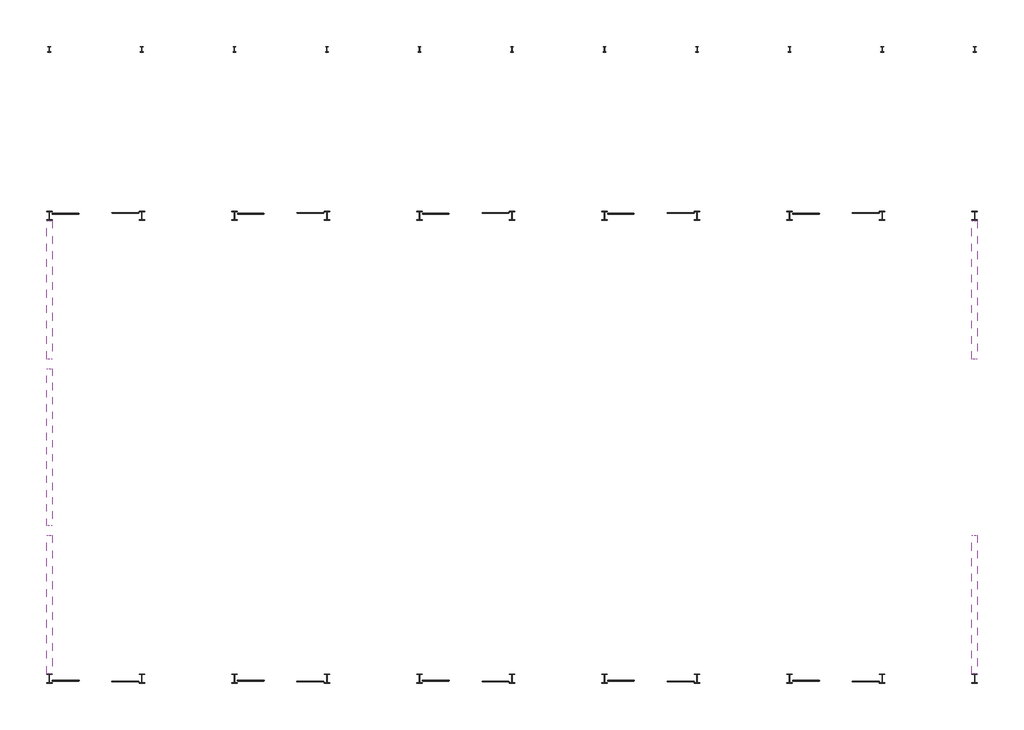
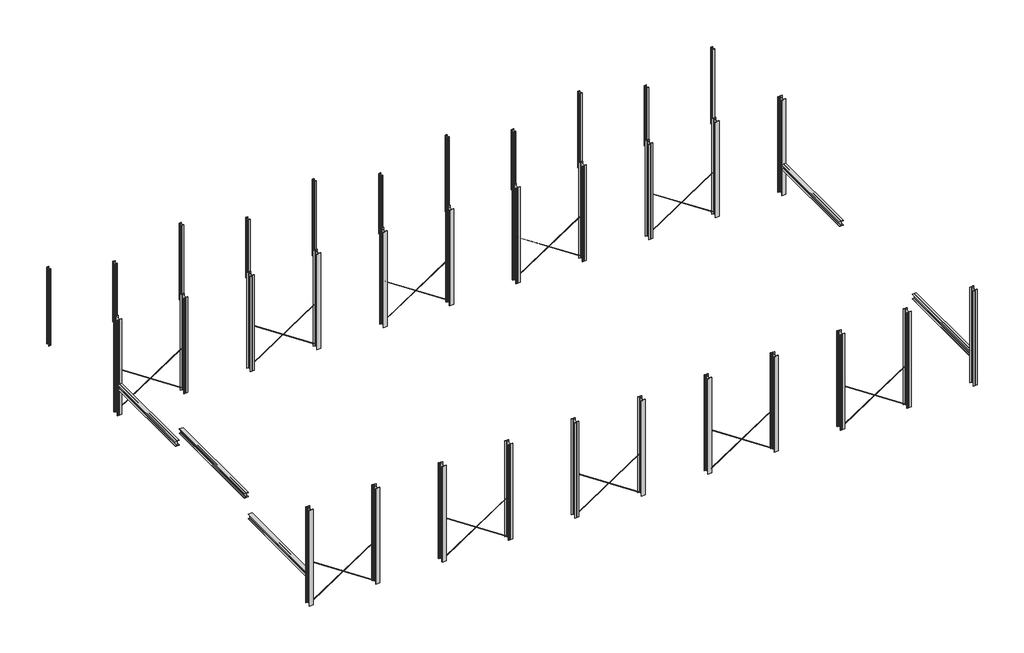
# One storey: 33 columns, 20 members, 5 beams.
"""IFC4 building model written with IfcOpenShell, lengths in millimetres."""

import ifcopenshell
import ifcopenshell.guid

model = None  # the IFC model being written
_history = None  # IfcOwnerHistory: only IFC2X3 demands one
_inside = {}  # id of a spatial element -> (the spatial element, [elements in it])
_under = {}  # id of a project, library or spatial element -> (it, [spatial elements below it])
_declared = {}  # id of a project -> (the project, [libraries it declares])
_typed = {}  # id of a type object -> (the type object, [elements of that type])
_made_of = {}  # id of a material, layer set ... -> (it, [elements and type objects made of it])


def new_model(schema):
    """Start an empty IFC model of exactly this schema.

    Asked for "IFC4X3", IfcOpenShell would pick the latest addendum, in which some entities
    have other attributes; the version numbers below select the first issue.
    IFC2X3 requires an IfcOwnerHistory on every rooted entity: one is made here for all.
    """
    global model, _history
    if schema == "IFC4X3":
        model = ifcopenshell.file(schema_version=(4, 3, 0, 0))
    else:
        model = ifcopenshell.file(schema=schema)
    _inside.clear()
    _under.clear()
    _declared.clear()
    _typed.clear()
    _made_of.clear()
    _history = None
    if model.schema == "IFC2X3":
        org = make("IfcOrganization", Name="unknown")
        user = make(
            "IfcPersonAndOrganization",
            ThePerson=make("IfcPerson", FamilyName="unknown"),
            TheOrganization=org,
        )
        app = make(
            "IfcApplication",
            ApplicationDeveloper=org,
            Version="unknown",
            ApplicationFullName="unknown",
            ApplicationIdentifier="unknown",
        )
        _history = make(
            "IfcOwnerHistory",
            OwningUser=user,
            OwningApplication=app,
            ChangeAction="ADDED",
            CreationDate=0,
        )
    return model


def make(cls, **values):
    """One entity of the class cls with the attributes given. An attribute that is None is left unset."""
    return model.create_entity(
        cls, **{name: value for name, value in values.items() if value is not None}
    )


def rooted(cls, **values):
    """An entity with a GlobalId (a new one), such as an element, a storey or a relation."""
    return make(cls, GlobalId=ifcopenshell.guid.new(), OwnerHistory=_history, **values)


def si_unit(unit_type, name, prefix=None):
    """IfcSIUnit, for example si_unit("LENGTHUNIT", "METRE", prefix="MILLI")."""
    return make("IfcSIUnit", UnitType=unit_type, Prefix=prefix, Name=name)


def assignment(units):
    """IfcUnitAssignment: the units of a project."""
    return None if units is None else make("IfcUnitAssignment", Units=units)


def point(xyz):
    """IfcCartesianPoint."""
    return None if xyz is None else make("IfcCartesianPoint", Coordinates=xyz)


def direction(xyz):
    """IfcDirection."""
    return None if xyz is None else make("IfcDirection", DirectionRatios=xyz)


def frame(location, z_axis=None, x_axis=None):
    """IfcAxis2Placement3D, a coordinate frame: its origin and axes. An axis left out is left unset."""
    return make(
        "IfcAxis2Placement3D",
        Location=point(location),
        Axis=direction(z_axis),
        RefDirection=direction(x_axis),
    )


def frame_2d(location, x_axis=None):
    """IfcAxis2Placement2D, a coordinate frame in the plane: its origin and x axis."""
    return make(
        "IfcAxis2Placement2D", Location=point(location), RefDirection=direction(x_axis)
    )


def origin():
    """The frame at (0, 0, 0) with its axes left unset."""
    return frame((0.0, 0.0, 0.0))


def origin_2d():
    """The frame at (0, 0) in the plane with its x axis left unset."""
    return frame_2d((0.0, 0.0))


def place(relative_to, where):
    """IfcLocalPlacement: puts the frame where relative to a parent placement (None: the world)."""
    return make(
        "IfcLocalPlacement", PlacementRelTo=relative_to, RelativePlacement=where
    )


def context(
    kind, dimensions, precision=None, world=None, true_north=None, identifier=None
):
    """IfcGeometricRepresentationContext, for example the 3D "Model" context."""
    return make(
        "IfcGeometricRepresentationContext",
        ContextIdentifier=identifier,
        ContextType=kind,
        CoordinateSpaceDimension=dimensions,
        Precision=precision,
        WorldCoordinateSystem=world,
        TrueNorth=true_north,
    )


def project(units=None, contexts=None):
    """IfcProject with its units and contexts."""
    return rooted(
        "IfcProject",
        Name="project",
        RepresentationContexts=contexts,
        UnitsInContext=assignment(units),
    )


def spatial(cls, under=None, at=None, **own):
    """A site, building, storey or space (cls), placed at a placement, below another one or the project."""
    s = rooted(cls, ObjectPlacement=at, **own)
    if under is not None:
        _under.setdefault(under.id(), (under, []))[1].append(s)
    return s


def polyline(points):
    """IfcPolyline through the points."""
    return make("IfcPolyline", Points=[point(p) for p in points])


def circle_curve(where, radius):
    """IfcCircle in the frame where."""
    return make("IfcCircle", Position=where, Radius=radius)


def trimmed(basis, trim1, trim2, sense, master):
    """IfcTrimmedCurve: the piece of a basis curve between two trims."""
    return make(
        "IfcTrimmedCurve",
        BasisCurve=basis,
        Trim1=trim1,
        Trim2=trim2,
        SenseAgreement=sense,
        MasterRepresentation=master,
    )


def segment(curve, same_sense, transition):
    """IfcCompositeCurveSegment."""
    return make(
        "IfcCompositeCurveSegment",
        Transition=transition,
        SameSense=same_sense,
        ParentCurve=curve,
    )


def composite_curve(segments, self_intersect=None):
    """IfcCompositeCurve: segments joined end to end."""
    return make("IfcCompositeCurve", Segments=segments, SelfIntersect=self_intersect)


def outline(outer, holes=None, kind="AREA"):
    """IfcArbitraryClosedProfileDef: a profile drawn as a closed curve; with holes, ...WithVoids."""
    if holes is None:
        return make("IfcArbitraryClosedProfileDef", ProfileType=kind, OuterCurve=outer)
    return make(
        "IfcArbitraryProfileDefWithVoids",
        ProfileType=kind,
        OuterCurve=outer,
        InnerCurves=holes,
    )


def extrude(swept, where, along, depth):
    """IfcExtrudedAreaSolid: the profile swept, set in the frame where, extruded along a direction by depth."""
    return make(
        "IfcExtrudedAreaSolid",
        SweptArea=swept,
        Position=where,
        ExtrudedDirection=direction(along),
        Depth=depth,
    )


def shape(context_of_items, identifier, shape_type, items):
    """IfcShapeRepresentation: the items that make up one representation, for example the "Body"."""
    return make(
        "IfcShapeRepresentation",
        ContextOfItems=context_of_items,
        RepresentationIdentifier=identifier,
        RepresentationType=shape_type,
        Items=items,
    )


def source(mapping_origin, context_of_items, identifier, shape_type, items):
    """IfcRepresentationMap: a shape defined once, which mapped items show again and again."""
    return make(
        "IfcRepresentationMap",
        MappingOrigin=mapping_origin,
        MappedRepresentation=shape(context_of_items, identifier, shape_type, items),
    )


def transform(
    local_origin,
    x_axis=None,
    y_axis=None,
    z_axis=None,
    scale=None,
    scale2=None,
    scale3=None,
    uniform=True,
):
    """IfcCartesianTransformationOperator3D, or its non-uniform kind. x_axis, y_axis, z_axis: its Axis1, 2, 3."""
    if uniform:
        return make(
            "IfcCartesianTransformationOperator3D",
            Axis1=direction(x_axis),
            Axis2=direction(y_axis),
            LocalOrigin=point(local_origin),
            Scale=scale,
            Axis3=direction(z_axis),
        )
    return make(
        "IfcCartesianTransformationOperator3DnonUniform",
        Axis1=direction(x_axis),
        Axis2=direction(y_axis),
        LocalOrigin=point(local_origin),
        Scale=scale,
        Axis3=direction(z_axis),
        Scale2=scale2,
        Scale3=scale3,
    )


def mapped(mapping_source, mapping_target):
    """IfcMappedItem: shows the shape of a source again, moved by a transform."""
    return make(
        "IfcMappedItem", MappingSource=mapping_source, MappingTarget=mapping_target
    )


def made_of(thing, what):
    """Note that an element or type object is made of a material, layer set ...; save() writes the relation."""
    if what is not None:
        _made_of.setdefault(what.id(), (what, []))[1].append(thing)
    return thing


def element(
    cls,
    number,
    at=None,
    inside=None,
    cuts=None,
    type_object=None,
    material=None,
    context=None,
    identifier="Body",
    shape_type=None,
    held_by="IfcProductDefinitionShape",
    body=None,
    shapes=None,
    **own,
):
    """One element of the class cls, such as IfcWall. Its Tag is "e" and its number.

    at: its placement. inside: the storey or other place that contains it. cuts: it is an
    opening in that element (IfcRelVoidsElement). A single representation is given by context,
    identifier, shape_type and body (its items); several are given by shapes. held_by: the class
    of the entity that holds the representations. save() writes the other relations.
    """
    e = rooted(cls, Tag="e%d" % number, ObjectPlacement=at, **own)
    if body is not None:
        shapes = [shape(context, identifier, shape_type, body)]
    if shapes is not None:
        e.Representation = make(held_by, Representations=shapes)
    if inside is not None:
        _inside.setdefault(inside.id(), (inside, []))[1].append(e)
    if cuts is not None:
        rooted(
            "IfcRelVoidsElement", RelatingBuildingElement=cuts, RelatedOpeningElement=e
        )
    if type_object is not None:
        _typed.setdefault(type_object.id(), (type_object, []))[1].append(e)
    return made_of(e, material)


def aggregate(whole, parts):
    """IfcRelAggregates: a whole, such as a stair, and the parts it consists of."""
    return rooted("IfcRelAggregates", RelatingObject=whole, RelatedObjects=parts)


def save(model, path):
    """Write the relations noted so far, then the file.

    IfcRelAggregates (storeys below a building ...), IfcRelContainedInSpatialStructure (elements
    in a storey), IfcRelDefinesByType, IfcRelAssociatesMaterial and IfcRelDeclares: one each for
    every whole, place, type object, material and project.
    """
    for whole, parts in _under.values():
        aggregate(whole, parts)
    for where, things in _inside.values():
        rooted(
            "IfcRelContainedInSpatialStructure",
            RelatedElements=things,
            RelatingStructure=where,
        )
    for kind, things in _typed.values():
        rooted("IfcRelDefinesByType", RelatedObjects=things, RelatingType=kind)
    for what, things in _made_of.values():
        rooted("IfcRelAssociatesMaterial", RelatedObjects=things, RelatingMaterial=what)
    for by, libraries in _declared.values():
        rooted("IfcRelDeclares", RelatingContext=by, RelatedDefinitions=libraries)
    model.write(path)


def hea360_8f2a9dd6(model_context):
    return source(origin(), model_context, "Body", "SweptSolid", [
        extrude(outline(composite_curve([segment(polyline([(150.0, -157.5), (150.0, -175.0), (-150.0, -175.0), (-150.0, -157.5), (-32.0, -157.5)]), True, "CONTINUOUS"), segment(trimmed(circle_curve(frame_2d((-32.0, -130.5)), 27.0), [point((-32.0, -157.5))], [point((-5.0, -130.5))], True, "CARTESIAN"), True, "CONTINUOUS"), segment(polyline([(-5.0, -130.5), (-5.0, 130.5)]), True, "CONTINUOUS"), segment(trimmed(circle_curve(frame_2d((-32.0, 130.5)), 27.0), [point((-5.0, 130.5))], [point((-32.0, 157.5))], True, "CARTESIAN"), True, "CONTINUOUS"), segment(polyline([(-32.0, 157.5), (-150.0, 157.5), (-150.0, 175.0), (150.0, 175.0), (150.0, 157.5), (32.0, 157.5)]), True, "CONTINUOUS"), segment(trimmed(circle_curve(frame_2d((32.0, 130.5)), 27.0), [point((32.0, 157.5))], [point((5.0, 130.5))], True, "CARTESIAN"), True, "CONTINUOUS"), segment(polyline([(5.0, 130.5), (5.0, -130.5)]), True, "CONTINUOUS"), segment(trimmed(circle_curve(frame_2d((32.0, -130.5)), 27.0), [point((5.0, -130.5))], [point((32.0, -157.5))], True, "CARTESIAN"), True, "CONTINUOUS"), segment(polyline([(32.0, -157.5), (150.0, -157.5)]), True, "CONTINUOUS")], self_intersect=False)), frame((-4242.2, 0.0, 0.0), z_axis=(1.0, 0.0, 0.0), x_axis=(0.0, 1.0, 0.0)), (0.0, 0.0, 1.0), 8484.5),
    ])


def hea400_fb95abcd(model_context):
    return source(origin(), model_context, "Body", "SweptSolid", [
        extrude(outline(composite_curve([segment(polyline([(150.0, -176.0), (150.0, -195.0), (-150.0, -195.0), (-150.0, -176.0), (-32.5, -176.0)]), True, "CONTINUOUS"), segment(trimmed(circle_curve(frame_2d((-32.5, -149.0)), 27.0), [point((-32.5, -176.0))], [point((-5.5, -149.0))], True, "CARTESIAN"), True, "CONTINUOUS"), segment(polyline([(-5.5, -149.0), (-5.5, 149.0)]), True, "CONTINUOUS"), segment(trimmed(circle_curve(frame_2d((-32.5, 149.0)), 27.0), [point((-5.5, 149.0))], [point((-32.5, 176.0))], True, "CARTESIAN"), True, "CONTINUOUS"), segment(polyline([(-32.5, 176.0), (-150.0, 176.0), (-150.0, 195.0), (150.0, 195.0), (150.0, 176.0), (32.5, 176.0)]), True, "CONTINUOUS"), segment(trimmed(circle_curve(frame_2d((32.5, 149.0)), 27.0), [point((32.5, 176.0))], [point((5.5, 149.0))], True, "CARTESIAN"), True, "CONTINUOUS"), segment(polyline([(5.5, 149.0), (5.5, -149.0)]), True, "CONTINUOUS"), segment(trimmed(circle_curve(frame_2d((32.5, -149.0)), 27.0), [point((5.5, -149.0))], [point((32.5, -176.0))], True, "CARTESIAN"), True, "CONTINUOUS"), segment(polyline([(32.5, -176.0), (150.0, -176.0)]), True, "CONTINUOUS")], self_intersect=False)), frame((-3742.3, 0.0, 0.0), z_axis=(1.0, 0.0, 0.0), x_axis=(0.0, 1.0, 0.0)), (0.0, 0.0, 1.0), 7484.6),
    ])


def hea400_d6eb3b18(model_context):
    return source(origin(), model_context, "Body", "SweptSolid", [
        extrude(outline(composite_curve([segment(polyline([(-150.0, -176.0), (-32.5, -176.0)]), True, "CONTINUOUS"), segment(trimmed(circle_curve(frame_2d((-32.5, -149.0)), 27.0), [point((-32.5, -176.0))], [point((-5.5, -149.0))], True, "CARTESIAN"), True, "CONTINUOUS"), segment(polyline([(-5.5, -149.0), (-5.5, 149.0)]), True, "CONTINUOUS"), segment(trimmed(circle_curve(frame_2d((-32.5, 149.0)), 27.0), [point((-5.5, 149.0))], [point((-32.5, 176.0))], True, "CARTESIAN"), True, "CONTINUOUS"), segment(polyline([(-32.5, 176.0), (-150.0, 176.0), (-150.0, 195.0), (150.0, 195.0), (150.0, 176.0), (32.5, 176.0)]), True, "CONTINUOUS"), segment(trimmed(circle_curve(frame_2d((32.5, 149.0)), 27.0), [point((32.5, 176.0))], [point((5.5, 149.0))], True, "CARTESIAN"), True, "CONTINUOUS"), segment(polyline([(5.5, 149.0), (5.5, -149.0)]), True, "CONTINUOUS"), segment(trimmed(circle_curve(frame_2d((32.5, -149.0)), 27.0), [point((5.5, -149.0))], [point((32.5, -176.0))], True, "CARTESIAN"), True, "CONTINUOUS"), segment(polyline([(32.5, -176.0), (150.0, -176.0), (150.0, -195.0), (-150.0, -195.0), (-150.0, -176.0)]), True, "CONTINUOUS")], self_intersect=False)), frame((-3742.3, 0.0, 0.0), z_axis=(1.0, 0.0, 0.0), x_axis=(0.0, 1.0, 0.0)), (0.0, 0.0, 1.0), 7484.6),
    ])


def hea500_3eefd640(model_context):
    return source(origin(), model_context, "Body", "SweptSolid", [
        extrude(outline(composite_curve([segment(polyline([(150.0, 245.0), (150.0, 222.0), (33.0, 222.0)]), True, "CONTINUOUS"), segment(trimmed(circle_curve(frame_2d((33.0, 195.0)), 27.0), [point((33.0, 222.0))], [point((6.0, 195.0))], True, "CARTESIAN"), True, "CONTINUOUS"), segment(polyline([(6.0, 195.0), (6.0, -195.0)]), True, "CONTINUOUS"), segment(trimmed(circle_curve(frame_2d((33.0, -195.0)), 27.0), [point((6.0, -195.0))], [point((33.0, -222.0))], True, "CARTESIAN"), True, "CONTINUOUS"), segment(polyline([(33.0, -222.0), (150.0, -222.0), (150.0, -245.0), (-150.0, -245.0), (-150.0, -222.0), (-33.0, -222.0)]), True, "CONTINUOUS"), segment(trimmed(circle_curve(frame_2d((-33.0, -195.0)), 27.0), [point((-33.0, -222.0))], [point((-6.0, -195.0))], True, "CARTESIAN"), True, "CONTINUOUS"), segment(polyline([(-6.0, -195.0), (-6.0, 195.0)]), True, "CONTINUOUS"), segment(trimmed(circle_curve(frame_2d((-33.0, 195.0)), 27.0), [point((-6.0, 195.0))], [point((-33.0, 222.0))], True, "CARTESIAN"), True, "CONTINUOUS"), segment(polyline([(-33.0, 222.0), (-150.0, 222.0), (-150.0, 245.0), (150.0, 245.0)]), True, "CONTINUOUS")], self_intersect=False)), frame((0.0, 0.0, 1400.0), z_axis=(0.0, 0.0, 1.0), x_axis=(1.0, 0.0, 0.0)), (0.0, 0.0, 1.0), 7600.0),
    ])


def ipe_column_ipe300_6e703510(model_context):
    return source(origin(), model_context, "Body", "SweptSolid", [
        extrude(outline(composite_curve([segment(polyline([(75.0, 150.0), (75.0, 139.3), (18.55, 139.3)]), True, "CONTINUOUS"), segment(trimmed(circle_curve(frame_2d((18.55, 124.3)), 15.0), [point((18.55, 139.3))], [point((3.55, 124.3))], True, "CARTESIAN"), True, "CONTINUOUS"), segment(polyline([(3.55, 124.3), (3.55, -124.3)]), True, "CONTINUOUS"), segment(trimmed(circle_curve(frame_2d((18.55, -124.3)), 15.0), [point((3.55, -124.3))], [point((18.55, -139.3))], True, "CARTESIAN"), True, "CONTINUOUS"), segment(polyline([(18.55, -139.3), (75.0, -139.3), (75.0, -150.0), (-75.0, -150.0), (-75.0, -139.3), (-18.55, -139.3)]), True, "CONTINUOUS"), segment(trimmed(circle_curve(frame_2d((-18.55, -124.3)), 15.0), [point((-18.55, -139.3))], [point((-3.55, -124.3))], True, "CARTESIAN"), True, "CONTINUOUS"), segment(polyline([(-3.55, -124.3), (-3.55, 124.3)]), True, "CONTINUOUS"), segment(trimmed(circle_curve(frame_2d((-18.55, 124.3)), 15.0), [point((-3.55, 124.3))], [point((-18.55, 139.3))], True, "CARTESIAN"), True, "CONTINUOUS"), segment(polyline([(-18.55, 139.3), (-75.0, 139.3), (-75.0, 150.0), (75.0, 150.0)]), True, "CONTINUOUS")], self_intersect=False)), frame((0.0, 0.0, 1400.0), z_axis=(0.0, 0.0, 1.0), x_axis=(1.0, 0.0, 0.0)), (0.0, 0.0, 1.0), 6100.0),
    ])


def ipe_column_ipe300_32037b8f(model_context):
    return source(origin(), model_context, "Body", "SweptSolid", [
        extrude(outline(composite_curve([segment(polyline([(75.0, 150.0), (75.0, 139.3), (18.55, 139.3)]), True, "CONTINUOUS"), segment(trimmed(circle_curve(frame_2d((18.55, 124.3)), 15.0), [point((18.55, 139.3))], [point((3.55, 124.3))], True, "CARTESIAN"), True, "CONTINUOUS"), segment(polyline([(3.55, 124.3), (3.55, -124.3)]), True, "CONTINUOUS"), segment(trimmed(circle_curve(frame_2d((18.55, -124.3)), 15.0), [point((3.55, -124.3))], [point((18.55, -139.3))], True, "CARTESIAN"), True, "CONTINUOUS"), segment(polyline([(18.55, -139.3), (75.0, -139.3), (75.0, -150.0), (-75.0, -150.0), (-75.0, -139.3), (-18.55, -139.3)]), True, "CONTINUOUS"), segment(trimmed(circle_curve(frame_2d((-18.55, -124.3)), 15.0), [point((-18.55, -139.3))], [point((-3.55, -124.3))], True, "CARTESIAN"), True, "CONTINUOUS"), segment(polyline([(-3.55, -124.3), (-3.55, 124.3)]), True, "CONTINUOUS"), segment(trimmed(circle_curve(frame_2d((-18.55, 124.3)), 15.0), [point((-3.55, 124.3))], [point((-18.55, 139.3))], True, "CARTESIAN"), True, "CONTINUOUS"), segment(polyline([(-18.55, 139.3), (-75.0, 139.3), (-75.0, 150.0), (75.0, 150.0)]), True, "CONTINUOUS")], self_intersect=False)), frame((0.0, 0.0, 1400.0), z_axis=(0.0, 0.0, 1.0), x_axis=(1.0, 0.0, 0.0)), (0.0, 0.0, 1.0), 4800.0),
    ])


def ro33_7x2_6_63ef5268(model_context):
    return source(origin(), model_context, "Body", "SweptSolid", [
        extrude(outline(composite_curve([segment(trimmed(circle_curve(origin_2d(), 16.85), [point((-16.85, 0.0))], [point((16.85, 0.0))], False, "CARTESIAN"), True, "CONTINUOUS"), segment(trimmed(circle_curve(origin_2d(), 16.85), [point((16.85, 0.0))], [point((-16.85, 0.0))], False, "CARTESIAN"), True, "CONTINUOUS")], self_intersect=False), holes=[composite_curve([segment(trimmed(circle_curve(origin_2d(), 14.25), [point((14.25, 0.0))], [point((-14.25, 0.0))], True, "CARTESIAN"), True, "CONTINUOUS"), segment(trimmed(circle_curve(origin_2d(), 14.25), [point((-14.25, 0.0))], [point((14.25, 0.0))], True, "CARTESIAN"), True, "CONTINUOUS")], self_intersect=False)]), frame((-2793.1, 0.0, 0.0), z_axis=(1.0, 0.0, 0.0), x_axis=(0.0, 1.0, 0.0)), (0.0, 0.0, 1.0), 5586.2),
    ])


def ro33_7x2_6_07e2517b(model_context):
    return source(origin(), model_context, "Body", "SweptSolid", [
        extrude(outline(composite_curve([segment(trimmed(circle_curve(origin_2d(), 16.85), [point((16.85, 0.0))], [point((-16.85, 0.0))], False, "CARTESIAN"), True, "CONTINUOUS"), segment(trimmed(circle_curve(origin_2d(), 16.85), [point((-16.85, 0.0))], [point((16.85, 0.0))], False, "CARTESIAN"), True, "CONTINUOUS")], self_intersect=False), holes=[composite_curve([segment(trimmed(circle_curve(origin_2d(), 14.25), [point((-14.25, 0.0))], [point((14.25, 0.0))], True, "CARTESIAN"), True, "CONTINUOUS"), segment(trimmed(circle_curve(origin_2d(), 14.25), [point((14.25, 0.0))], [point((-14.25, 0.0))], True, "CARTESIAN"), True, "CONTINUOUS")], self_intersect=False)]), frame((-2793.1, 0.0, 0.0), z_axis=(1.0, 0.0, 0.0), x_axis=(0.0, 1.0, 0.0)), (0.0, 0.0, 1.0), 5586.2),
    ])


model = new_model("IFC4")

# Units and contexts
model_context = context("Model", 3, world=origin())
ifc_project = project(units=[si_unit("LENGTHUNIT", "METRE", prefix="MILLI")], contexts=[model_context])

# Site, building, storey
site = spatial("IfcSite", under=ifc_project)
building = spatial("IfcBuilding", under=site)
storey = spatial("IfcBuildingStorey", under=building, Elevation=1400.0)

# Beams
placement = place(None, origin())
hea360_shape = hea360_8f2a9dd6(model_context)
element("IfcBeam", 1, ObjectType="HEA360", at=placement, inside=storey, context=model_context, shape_type="MappedRepresentation", body=[
    mapped(hea360_shape, transform((-20254.1845871, -2635.0122911, 5025.0), x_axis=(0.0, -1.0, 0.0), y_axis=(1.0, 0.0, 0.0), z_axis=(0.0, 0.0, 1.0))),
])
hea400_shape = hea400_fb95abcd(model_context)
element("IfcBeam", 2, ObjectType="HEA400", at=placement, inside=storey, context=model_context, shape_type="MappedRepresentation", body=[
    mapped(hea400_shape, transform((-20254.1845871, 5864.9877089, 3695.0), x_axis=(0.0, 1.0, 0.0), y_axis=(-1.0, 0.0, 0.0), z_axis=(0.0, 0.0, 1.0))),
])
element("IfcBeam", 3, ObjectType="HEA400", at=placement, inside=storey, context=model_context, shape_type="MappedRepresentation", body=[
    mapped(hea400_shape, transform((-20254.1845871, -11135.0122911, 3695.0), x_axis=(0.0, -1.0, 0.0), y_axis=(1.0, 0.0, 0.0), z_axis=(0.0, 0.0, 1.0))),
])
hea400_2_shape = hea400_d6eb3b18(model_context)
element("IfcBeam", 4, ObjectType="HEA400", at=placement, inside=storey, context=model_context, shape_type="MappedRepresentation", body=[
    mapped(hea400_2_shape, transform((29745.8154129, 5864.9877089, 3695.0), x_axis=(0.0, 1.0, 0.0), y_axis=(-1.0, 0.0, 0.0), z_axis=(0.0, 0.0, 1.0))),
])
element("IfcBeam", 5, ObjectType="HEA400", at=placement, inside=storey, context=model_context, shape_type="MappedRepresentation", body=[
    mapped(hea400_2_shape, transform((29745.8154129, -11135.0122911, 3695.0), x_axis=(0.0, -1.0, 0.0), y_axis=(1.0, 0.0, 0.0), z_axis=(0.0, 0.0, 1.0))),
])

# Columns
hea500_shape = hea500_3eefd640(model_context)
element("IfcColumn", 6, ObjectType="HEA500", at=placement, inside=storey, context=model_context, shape_type="MappedRepresentation", body=[
    mapped(hea500_shape, transform((-20254.1845871, -15135.0122911, 0.0), x_axis=(1.0, 0.0, 0.0), y_axis=(0.0, 1.0, 0.0), z_axis=(0.0, 0.0, 1.0))),
])
element("IfcColumn", 7, ObjectType="HEA500", at=placement, inside=storey, context=model_context, shape_type="MappedRepresentation", body=[
    mapped(hea500_shape, transform((-15254.1845871, -15135.0122911, 0.0), x_axis=(1.0, 0.0, 0.0), y_axis=(0.0, 1.0, 0.0), z_axis=(0.0, 0.0, 1.0))),
])
element("IfcColumn", 8, ObjectType="HEA500", at=placement, inside=storey, context=model_context, shape_type="MappedRepresentation", body=[
    mapped(hea500_shape, transform((-10254.1845871, -15135.0122911, 0.0), x_axis=(1.0, 0.0, 0.0), y_axis=(0.0, 1.0, 0.0), z_axis=(0.0, 0.0, 1.0))),
])
element("IfcColumn", 9, ObjectType="HEA500", at=placement, inside=storey, context=model_context, shape_type="MappedRepresentation", body=[
    mapped(hea500_shape, transform((-20254.1845871, 9864.9877089, 0.0), x_axis=(1.0, 0.0, 0.0), y_axis=(0.0, 1.0, 0.0), z_axis=(0.0, 0.0, 1.0))),
])
element("IfcColumn", 10, ObjectType="HEA500", at=placement, inside=storey, context=model_context, shape_type="MappedRepresentation", body=[
    mapped(hea500_shape, transform((-15254.1845871, 9864.9877089, 0.0), x_axis=(1.0, 0.0, 0.0), y_axis=(0.0, 1.0, 0.0), z_axis=(0.0, 0.0, 1.0))),
])
element("IfcColumn", 11, ObjectType="HEA500", at=placement, inside=storey, context=model_context, shape_type="MappedRepresentation", body=[
    mapped(hea500_shape, transform((-10254.1845871, 9864.9877089, 0.0), x_axis=(1.0, 0.0, 0.0), y_axis=(0.0, 1.0, 0.0), z_axis=(0.0, 0.0, 1.0))),
])
element("IfcColumn", 12, ObjectType="HEA500", at=placement, inside=storey, context=model_context, shape_type="MappedRepresentation", body=[
    mapped(hea500_shape, transform((-5254.1845871, -15135.0122911, 0.0), x_axis=(1.0, 0.0, 0.0), y_axis=(0.0, 1.0, 0.0), z_axis=(0.0, 0.0, 1.0))),
])
element("IfcColumn", 13, ObjectType="HEA500", at=placement, inside=storey, context=model_context, shape_type="MappedRepresentation", body=[
    mapped(hea500_shape, transform((-5254.1845871, 9864.9877089, 0.0), x_axis=(1.0, 0.0, 0.0), y_axis=(0.0, 1.0, 0.0), z_axis=(0.0, 0.0, 1.0))),
])
element("IfcColumn", 14, ObjectType="HEA500", at=placement, inside=storey, context=model_context, shape_type="MappedRepresentation", body=[
    mapped(hea500_shape, transform((-254.1845871, -15135.0122911, 0.0), x_axis=(1.0, 0.0, 0.0), y_axis=(0.0, 1.0, 0.0), z_axis=(0.0, 0.0, 1.0))),
])
element("IfcColumn", 15, ObjectType="HEA500", at=placement, inside=storey, context=model_context, shape_type="MappedRepresentation", body=[
    mapped(hea500_shape, transform((-254.1845871, 9864.9877089, 0.0), x_axis=(1.0, 0.0, 0.0), y_axis=(0.0, 1.0, 0.0), z_axis=(0.0, 0.0, 1.0))),
])
element("IfcColumn", 16, ObjectType="HEA500", at=placement, inside=storey, context=model_context, shape_type="MappedRepresentation", body=[
    mapped(hea500_shape, transform((4745.8154129, -15135.0122911, 0.0), x_axis=(1.0, 0.0, 0.0), y_axis=(0.0, 1.0, 0.0), z_axis=(0.0, 0.0, 1.0))),
])
element("IfcColumn", 17, ObjectType="HEA500", at=placement, inside=storey, context=model_context, shape_type="MappedRepresentation", body=[
    mapped(hea500_shape, transform((4745.8154129, 9864.9877089, 0.0), x_axis=(1.0, 0.0, 0.0), y_axis=(0.0, 1.0, 0.0), z_axis=(0.0, 0.0, 1.0))),
])
element("IfcColumn", 18, ObjectType="HEA500", at=placement, inside=storey, context=model_context, shape_type="MappedRepresentation", body=[
    mapped(hea500_shape, transform((9745.8154129, -15135.0122911, 0.0), x_axis=(1.0, 0.0, 0.0), y_axis=(0.0, 1.0, 0.0), z_axis=(0.0, 0.0, 1.0))),
])
element("IfcColumn", 19, ObjectType="HEA500", at=placement, inside=storey, context=model_context, shape_type="MappedRepresentation", body=[
    mapped(hea500_shape, transform((9745.8154129, 9864.9877089, 0.0), x_axis=(1.0, 0.0, 0.0), y_axis=(0.0, 1.0, 0.0), z_axis=(0.0, 0.0, 1.0))),
])
element("IfcColumn", 20, ObjectType="HEA500", at=placement, inside=storey, context=model_context, shape_type="MappedRepresentation", body=[
    mapped(hea500_shape, transform((14745.8154129, -15135.0122911, 0.0), x_axis=(1.0, 0.0, 0.0), y_axis=(0.0, 1.0, 0.0), z_axis=(0.0, 0.0, 1.0))),
])
element("IfcColumn", 21, ObjectType="HEA500", at=placement, inside=storey, context=model_context, shape_type="MappedRepresentation", body=[
    mapped(hea500_shape, transform((14745.8154129, 9864.9877089, 0.0), x_axis=(1.0, 0.0, 0.0), y_axis=(0.0, 1.0, 0.0), z_axis=(0.0, 0.0, 1.0))),
])
element("IfcColumn", 22, ObjectType="HEA500", at=placement, inside=storey, context=model_context, shape_type="MappedRepresentation", body=[
    mapped(hea500_shape, transform((19745.8154129, -15135.0122911, 0.0), x_axis=(1.0, 0.0, 0.0), y_axis=(0.0, 1.0, 0.0), z_axis=(0.0, 0.0, 1.0))),
])
element("IfcColumn", 23, ObjectType="HEA500", at=placement, inside=storey, context=model_context, shape_type="MappedRepresentation", body=[
    mapped(hea500_shape, transform((19745.8154129, 9864.9877089, 0.0), x_axis=(1.0, 0.0, 0.0), y_axis=(0.0, 1.0, 0.0), z_axis=(0.0, 0.0, 1.0))),
])
element("IfcColumn", 24, ObjectType="HEA500", at=placement, inside=storey, context=model_context, shape_type="MappedRepresentation", body=[
    mapped(hea500_shape, transform((24745.8154129, -15135.0122911, 0.0), x_axis=(1.0, 0.0, 0.0), y_axis=(0.0, 1.0, 0.0), z_axis=(0.0, 0.0, 1.0))),
])
element("IfcColumn", 25, ObjectType="HEA500", at=placement, inside=storey, context=model_context, shape_type="MappedRepresentation", body=[
    mapped(hea500_shape, transform((24745.8154129, 9864.9877089, 0.0), x_axis=(1.0, 0.0, 0.0), y_axis=(0.0, 1.0, 0.0), z_axis=(0.0, 0.0, 1.0))),
])
element("IfcColumn", 26, ObjectType="HEA500", at=placement, inside=storey, context=model_context, shape_type="MappedRepresentation", body=[
    mapped(hea500_shape, transform((29745.8154129, -15135.0122911, 0.0), x_axis=(1.0, 0.0, 0.0), y_axis=(0.0, 1.0, 0.0), z_axis=(0.0, 0.0, 1.0))),
])
element("IfcColumn", 27, ObjectType="HEA500", at=placement, inside=storey, context=model_context, shape_type="MappedRepresentation", body=[
    mapped(hea500_shape, transform((29745.8154129, 9864.9877089, 0.0), x_axis=(1.0, 0.0, 0.0), y_axis=(0.0, 1.0, 0.0), z_axis=(0.0, 0.0, 1.0))),
])
ipe_column_ipe300_shape = ipe_column_ipe300_6e703510(model_context)
element("IfcColumn", 28, ObjectType="IPE Column : IPE300", at=placement, inside=storey, context=model_context, shape_type="MappedRepresentation", body=[
    mapped(ipe_column_ipe300_shape, transform((-20254.1845871, 18864.9877089, 0.0), x_axis=(1.0, 0.0, 0.0), y_axis=(0.0, 1.0, 0.0), z_axis=(0.0, 0.0, 1.0))),
])
element("IfcColumn", 29, ObjectType="IPE Column : IPE300", at=placement, inside=storey, context=model_context, shape_type="MappedRepresentation", body=[
    mapped(ipe_column_ipe300_shape, transform((-10254.1845871, 18864.9877089, 0.0), x_axis=(1.0, 0.0, 0.0), y_axis=(0.0, 1.0, 0.0), z_axis=(0.0, 0.0, 1.0))),
])
element("IfcColumn", 30, ObjectType="IPE Column : IPE300", at=placement, inside=storey, context=model_context, shape_type="MappedRepresentation", body=[
    mapped(ipe_column_ipe300_shape, transform((-254.1845871, 18864.9877089, 0.0), x_axis=(1.0, 0.0, 0.0), y_axis=(0.0, 1.0, 0.0), z_axis=(0.0, 0.0, 1.0))),
])
element("IfcColumn", 31, ObjectType="IPE Column : IPE300", at=placement, inside=storey, context=model_context, shape_type="MappedRepresentation", body=[
    mapped(ipe_column_ipe300_shape, transform((9745.8154129, 18864.9877089, 0.0), x_axis=(1.0, 0.0, 0.0), y_axis=(0.0, 1.0, 0.0), z_axis=(0.0, 0.0, 1.0))),
])
element("IfcColumn", 32, ObjectType="IPE Column : IPE300", at=placement, inside=storey, context=model_context, shape_type="MappedRepresentation", body=[
    mapped(ipe_column_ipe300_shape, transform((19745.8154129, 18864.9877089, 0.0), x_axis=(1.0, 0.0, 0.0), y_axis=(0.0, 1.0, 0.0), z_axis=(0.0, 0.0, 1.0))),
])
element("IfcColumn", 33, ObjectType="IPE Column : IPE300", at=placement, inside=storey, context=model_context, shape_type="MappedRepresentation", body=[
    mapped(ipe_column_ipe300_shape, transform((29745.8154129, 18864.9877089, 0.0), x_axis=(1.0, 0.0, 0.0), y_axis=(0.0, 1.0, 0.0), z_axis=(0.0, 0.0, 1.0))),
])
ipe_column_ipe300_2_shape = ipe_column_ipe300_32037b8f(model_context)
element("IfcColumn", 34, ObjectType="IPE Column : IPE300", at=placement, inside=storey, context=model_context, shape_type="MappedRepresentation", body=[
    mapped(ipe_column_ipe300_2_shape, transform((-15254.1845871, 18864.9877089, 0.0), x_axis=(1.0, 0.0, 0.0), y_axis=(0.0, 1.0, 0.0), z_axis=(0.0, 0.0, 1.0))),
])
element("IfcColumn", 35, ObjectType="IPE Column : IPE300", at=placement, inside=storey, context=model_context, shape_type="MappedRepresentation", body=[
    mapped(ipe_column_ipe300_2_shape, transform((-5254.1845871, 18864.9877089, 0.0), x_axis=(1.0, 0.0, 0.0), y_axis=(0.0, 1.0, 0.0), z_axis=(0.0, 0.0, 1.0))),
])
element("IfcColumn", 36, ObjectType="IPE Column : IPE300", at=placement, inside=storey, context=model_context, shape_type="MappedRepresentation", body=[
    mapped(ipe_column_ipe300_2_shape, transform((4745.8154129, 18864.9877089, 0.0), x_axis=(1.0, 0.0, 0.0), y_axis=(0.0, 1.0, 0.0), z_axis=(0.0, 0.0, 1.0))),
])
element("IfcColumn", 37, ObjectType="IPE Column : IPE300", at=placement, inside=storey, context=model_context, shape_type="MappedRepresentation", body=[
    mapped(ipe_column_ipe300_2_shape, transform((14745.8154129, 18864.9877089, 0.0), x_axis=(1.0, 0.0, 0.0), y_axis=(0.0, 1.0, 0.0), z_axis=(0.0, 0.0, 1.0))),
])
element("IfcColumn", 38, ObjectType="IPE Column : IPE300", at=placement, inside=storey, context=model_context, shape_type="MappedRepresentation", body=[
    mapped(ipe_column_ipe300_2_shape, transform((24745.8154129, 18864.9877089, 0.0), x_axis=(1.0, 0.0, 0.0), y_axis=(0.0, 1.0, 0.0), z_axis=(0.0, 0.0, 1.0))),
])

# Members
ro33_7x2_6_shape = ro33_7x2_6_63ef5268(model_context)
element("IfcMember", 39, ObjectType="RO33.7x2.6", at=placement, inside=storey, context=model_context, shape_type="MappedRepresentation", body=[
    mapped(ro33_7x2_6_shape, transform((-17754.1845871, -15250.0122911, 3202.5), x_axis=(0.8342256789467186, 0.0, 0.5514231737838793), y_axis=(0.0, 1.0, 0.0), z_axis=(-0.5514231737838793, 0.0, 0.8342256789467186))),
])
element("IfcMember", 40, ObjectType="RO33.7x2.6", at=placement, inside=storey, context=model_context, shape_type="MappedRepresentation", body=[
    mapped(ro33_7x2_6_shape, transform((-17754.1845871, -15295.0122911, 3202.5), x_axis=(0.8342256789467162, 0.0, -0.551423173783883), y_axis=(0.0, 1.0, 0.0), z_axis=(0.551423173783883, 0.0, 0.8342256789467162))),
])
element("IfcMember", 41, ObjectType="RO33.7x2.6", at=placement, inside=storey, context=model_context, shape_type="MappedRepresentation", body=[
    mapped(ro33_7x2_6_shape, transform((-7754.1845871, -15250.0122911, 3202.5), x_axis=(0.8342256789467186, 0.0, 0.5514231737838793), y_axis=(0.0, 1.0, 0.0), z_axis=(-0.5514231737838793, 0.0, 0.8342256789467186))),
])
element("IfcMember", 42, ObjectType="RO33.7x2.6", at=placement, inside=storey, context=model_context, shape_type="MappedRepresentation", body=[
    mapped(ro33_7x2_6_shape, transform((-7754.1845871, -15295.0122911, 3202.5), x_axis=(0.8342256789467162, 0.0, -0.551423173783883), y_axis=(0.0, 1.0, 0.0), z_axis=(0.551423173783883, 0.0, 0.8342256789467162))),
])
element("IfcMember", 43, ObjectType="RO33.7x2.6", at=placement, inside=storey, context=model_context, shape_type="MappedRepresentation", body=[
    mapped(ro33_7x2_6_shape, transform((2245.8154129, -15250.0122911, 3202.5), x_axis=(0.8342256789467186, 0.0, 0.5514231737838793), y_axis=(0.0, 1.0, 0.0), z_axis=(-0.5514231737838793, 0.0, 0.8342256789467186))),
])
element("IfcMember", 44, ObjectType="RO33.7x2.6", at=placement, inside=storey, context=model_context, shape_type="MappedRepresentation", body=[
    mapped(ro33_7x2_6_shape, transform((2245.8154129, -15295.0122911, 3202.5), x_axis=(0.8342256789467162, 0.0, -0.551423173783883), y_axis=(0.0, 1.0, 0.0), z_axis=(0.551423173783883, 0.0, 0.8342256789467162))),
])
element("IfcMember", 45, ObjectType="RO33.7x2.6", at=placement, inside=storey, context=model_context, shape_type="MappedRepresentation", body=[
    mapped(ro33_7x2_6_shape, transform((12245.8154129, -15250.0122911, 3202.5), x_axis=(0.8342256789467186, 0.0, 0.5514231737838793), y_axis=(0.0, 1.0, 0.0), z_axis=(-0.5514231737838793, 0.0, 0.8342256789467186))),
])
element("IfcMember", 46, ObjectType="RO33.7x2.6", at=placement, inside=storey, context=model_context, shape_type="MappedRepresentation", body=[
    mapped(ro33_7x2_6_shape, transform((12245.8154129, -15295.0122911, 3202.5), x_axis=(0.8342256789467162, 0.0, -0.551423173783883), y_axis=(0.0, 1.0, 0.0), z_axis=(0.551423173783883, 0.0, 0.8342256789467162))),
])
element("IfcMember", 47, ObjectType="RO33.7x2.6", at=placement, inside=storey, context=model_context, shape_type="MappedRepresentation", body=[
    mapped(ro33_7x2_6_shape, transform((22245.8154129, -15250.0122911, 3202.5), x_axis=(0.8342256789467186, 0.0, 0.5514231737838793), y_axis=(0.0, 1.0, 0.0), z_axis=(-0.5514231737838793, 0.0, 0.8342256789467186))),
])
element("IfcMember", 48, ObjectType="RO33.7x2.6", at=placement, inside=storey, context=model_context, shape_type="MappedRepresentation", body=[
    mapped(ro33_7x2_6_shape, transform((22245.8154129, -15295.0122911, 3202.5), x_axis=(0.8342256789467162, 0.0, -0.551423173783883), y_axis=(0.0, 1.0, 0.0), z_axis=(0.551423173783883, 0.0, 0.8342256789467162))),
])
ro33_7x2_6_2_shape = ro33_7x2_6_07e2517b(model_context)
element("IfcMember", 49, ObjectType="RO33.7x2.6", at=placement, inside=storey, context=model_context, shape_type="MappedRepresentation", body=[
    mapped(ro33_7x2_6_2_shape, transform((-17754.1845871, 9979.9877089, 3202.5), x_axis=(0.8342256789467186, 0.0, 0.5514231737838793), y_axis=(0.0, 1.0, 0.0), z_axis=(-0.5514231737838793, 0.0, 0.8342256789467186))),
])
element("IfcMember", 50, ObjectType="RO33.7x2.6", at=placement, inside=storey, context=model_context, shape_type="MappedRepresentation", body=[
    mapped(ro33_7x2_6_2_shape, transform((-17754.1845871, 10024.9877089, 3202.5), x_axis=(0.8342256789467162, 0.0, -0.551423173783883), y_axis=(0.0, 1.0, 0.0), z_axis=(0.551423173783883, 0.0, 0.8342256789467162))),
])
element("IfcMember", 51, ObjectType="RO33.7x2.6", at=placement, inside=storey, context=model_context, shape_type="MappedRepresentation", body=[
    mapped(ro33_7x2_6_2_shape, transform((-7754.1845871, 9979.9877089, 3202.5), x_axis=(0.8342256789467186, 0.0, 0.5514231737838793), y_axis=(0.0, 1.0, 0.0), z_axis=(-0.5514231737838793, 0.0, 0.8342256789467186))),
])
element("IfcMember", 52, ObjectType="RO33.7x2.6", at=placement, inside=storey, context=model_context, shape_type="MappedRepresentation", body=[
    mapped(ro33_7x2_6_2_shape, transform((-7754.1845871, 10024.9877089, 3202.5), x_axis=(0.8342256789467162, 0.0, -0.551423173783883), y_axis=(0.0, 1.0, 0.0), z_axis=(0.551423173783883, 0.0, 0.8342256789467162))),
])
element("IfcMember", 53, ObjectType="RO33.7x2.6", at=placement, inside=storey, context=model_context, shape_type="MappedRepresentation", body=[
    mapped(ro33_7x2_6_2_shape, transform((2245.8154129, 9979.9877089, 3202.5), x_axis=(0.8342256789467186, 0.0, 0.5514231737838793), y_axis=(0.0, 1.0, 0.0), z_axis=(-0.5514231737838793, 0.0, 0.8342256789467186))),
])
element("IfcMember", 54, ObjectType="RO33.7x2.6", at=placement, inside=storey, context=model_context, shape_type="MappedRepresentation", body=[
    mapped(ro33_7x2_6_2_shape, transform((2245.8154129, 10024.9877089, 3202.5), x_axis=(0.8342256789467162, 0.0, -0.551423173783883), y_axis=(0.0, 1.0, 0.0), z_axis=(0.551423173783883, 0.0, 0.8342256789467162))),
])
element("IfcMember", 55, ObjectType="RO33.7x2.6", at=placement, inside=storey, context=model_context, shape_type="MappedRepresentation", body=[
    mapped(ro33_7x2_6_2_shape, transform((12245.8154129, 9979.9877089, 3202.5), x_axis=(0.8342256789467186, 0.0, 0.5514231737838793), y_axis=(0.0, 1.0, 0.0), z_axis=(-0.5514231737838793, 0.0, 0.8342256789467186))),
])
element("IfcMember", 56, ObjectType="RO33.7x2.6", at=placement, inside=storey, context=model_context, shape_type="MappedRepresentation", body=[
    mapped(ro33_7x2_6_2_shape, transform((12245.8154129, 10024.9877089, 3202.5), x_axis=(0.8342256789467162, 0.0, -0.551423173783883), y_axis=(0.0, 1.0, 0.0), z_axis=(0.551423173783883, 0.0, 0.8342256789467162))),
])
element("IfcMember", 57, ObjectType="RO33.7x2.6", at=placement, inside=storey, context=model_context, shape_type="MappedRepresentation", body=[
    mapped(ro33_7x2_6_2_shape, transform((22245.8154129, 9979.9877089, 3202.5), x_axis=(0.8342256789467186, 0.0, 0.5514231737838793), y_axis=(0.0, 1.0, 0.0), z_axis=(-0.5514231737838793, 0.0, 0.8342256789467186))),
])
element("IfcMember", 58, ObjectType="RO33.7x2.6", at=placement, inside=storey, context=model_context, shape_type="MappedRepresentation", body=[
    mapped(ro33_7x2_6_2_shape, transform((22245.8154129, 10024.9877089, 3202.5), x_axis=(0.8342256789467162, 0.0, -0.551423173783883), y_axis=(0.0, 1.0, 0.0), z_axis=(0.551423173783883, 0.0, 0.8342256789467162))),
])

save(model, "model.ifc")
